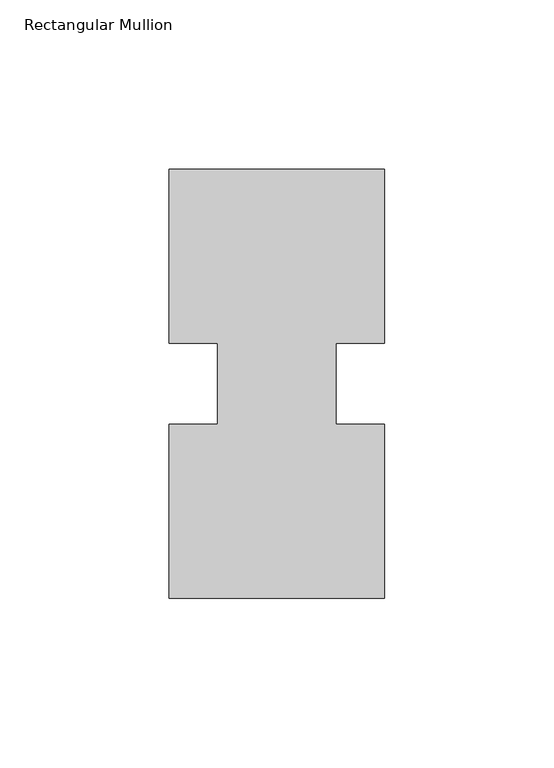
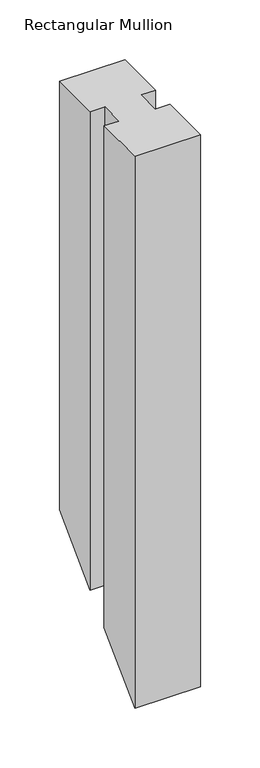
"""IFC4 building model written with IfcOpenShell, lengths in millimetres: member geometry, Rectangular Mullion."""

from ifc_helpers import new_model, si_unit, origin, place, context, project, spatial, faceted_brep, source, transform, mapped, element, save


def rectangular_mullion_4a348470(model_context):
    return source(origin(), model_context, "Body", "Brep", [
        faceted_brep([(0.0, 0.26035, 0.0), (0.0, 51.60645, 0.0), (-14.2748, 51.60645, 0.0), (-14.2748, 75.40625, 0.0), (0.0, 75.40625, 0.0), (0.0, 126.75235, 0.0), (-63.5, 126.75235, 0.0), (-63.5, 75.40625, 0.0), (-49.2125, 75.40625, 0.0), (-49.2125, 51.60645, 0.0), (-63.5, 51.60645, 0.0), (-63.5, 0.26035, 0.0), (0.0, 0.26035, -564.88965), (0.0, 51.60645, -513.54355), (-14.2748, 51.60645, -513.54355), (-14.2748, 75.40625, -489.74375), (0.0, 75.40625, -489.74375), (0.0, 126.75235, -438.39765), (-63.5, 126.75235, -438.39765), (-63.5, 75.40625, -489.74375), (-49.2125, 75.40625, -489.74375), (-49.2125, 51.60645, -513.54355), (-63.5, 51.60645, -513.54355), (-63.5, 0.26035, -564.88965)], [[[0, 1, 2, 3, 4, 5, 6, 7, 8, 9, 10, 11]], [[1, 0, 12, 13]], [[2, 1, 13, 14]], [[3, 2, 14, 15]], [[4, 3, 15, 16]], [[5, 4, 16, 17]], [[6, 5, 17, 18]], [[7, 6, 18, 19]], [[8, 7, 19, 20]], [[9, 8, 20, 21]], [[10, 9, 21, 22]], [[11, 10, 22, 23]], [[0, 11, 23, 12]], [[12, 23, 22, 21, 20, 19, 18, 17, 16, 15, 14, 13]]]),
    ])


if __name__ == "__main__":
    model = new_model("IFC4")
    model_context = context("Model", 3, world=origin())
    ifc_project = project(units=[si_unit("LENGTHUNIT", "METRE", prefix="MILLI")], contexts=[model_context])
    site = spatial("IfcSite", under=ifc_project)
    building = spatial("IfcBuilding", under=site)
    placement = place(None, origin())
    rectangular_mullion_shape = rectangular_mullion_4a348470(model_context)
    element("IfcMember", 1, ObjectType="Rectangular Mullion", at=placement, inside=building, context=model_context, shape_type="MappedRepresentation", body=[
        mapped(rectangular_mullion_shape, transform((0.0, 0.0, 0.0), x_axis=(1.0, 0.0, 0.0), y_axis=(0.0, 1.0, 0.0), z_axis=(0.0, 0.0, 1.0))),
    ])
    save(model, "model.ifc")
